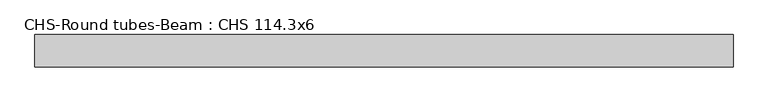
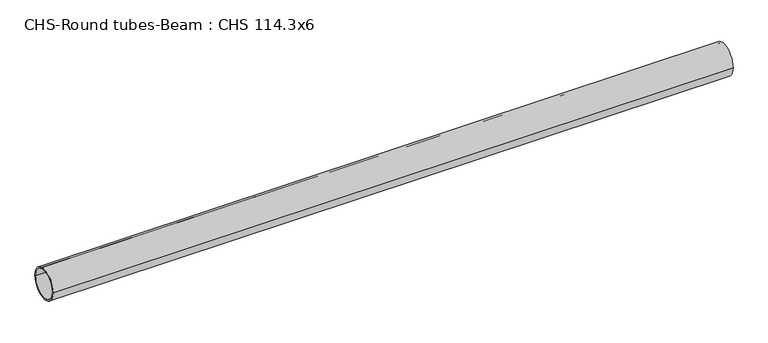
"""IFC4 building model written with IfcOpenShell, lengths in millimetres: beam geometry, CHS-Round tubes-Beam : CHS 114.3x6."""

from ifc_helpers import new_model, si_unit, point, frame, origin, origin_2d, place, context, project, spatial, circle_curve, trimmed, segment, composite_curve, outline, extrude, source, transform, mapped, element, save


def chs_round_tubes_beam_chs_114_3x6_e0462f4a(model_context):
    return source(origin(), model_context, "Body", "SweptSolid", [
        extrude(outline(composite_curve([segment(trimmed(circle_curve(origin_2d(), 57.15), [point((57.15, 0.0))], [point((-57.15, 0.0))], False, "CARTESIAN"), True, "CONTINUOUS"), segment(trimmed(circle_curve(origin_2d(), 57.15), [point((-57.15, 0.0))], [point((57.15, 0.0))], False, "CARTESIAN"), True, "CONTINUOUS")], self_intersect=False), holes=[composite_curve([segment(trimmed(circle_curve(origin_2d(), 51.15), [point((51.15, 0.0))], [point((-51.15, 0.0))], True, "CARTESIAN"), True, "CONTINUOUS"), segment(trimmed(circle_curve(origin_2d(), 51.15), [point((-51.15, 0.0))], [point((51.15, 0.0))], True, "CARTESIAN"), True, "CONTINUOUS")], self_intersect=False)]), frame((-1187.2785547, 0.0, 0.0), z_axis=(1.0, 0.0, 0.0), x_axis=(0.0, 1.0, 0.0)), (0.0, 0.0, 1.0), 2480.0793492),
    ])


if __name__ == "__main__":
    model = new_model("IFC4")
    model_context = context("Model", 3, world=origin())
    ifc_project = project(units=[si_unit("LENGTHUNIT", "METRE", prefix="MILLI")], contexts=[model_context])
    site = spatial("IfcSite", under=ifc_project)
    building = spatial("IfcBuilding", under=site)
    placement = place(None, origin())
    chs_round_tubes_beam_chs_114_3x6_shape = chs_round_tubes_beam_chs_114_3x6_e0462f4a(model_context)
    element("IfcBeam", 1, ObjectType="CHS-Round tubes-Beam : CHS 114.3x6", at=placement, inside=building, context=model_context, shape_type="MappedRepresentation", body=[
        mapped(chs_round_tubes_beam_chs_114_3x6_shape, transform((0.0, 0.0, 0.0), x_axis=(1.0, 0.0, 0.0), y_axis=(0.0, 1.0, 0.0), z_axis=(0.0, 0.0, 1.0))),
    ])
    save(model, "model.ifc")
